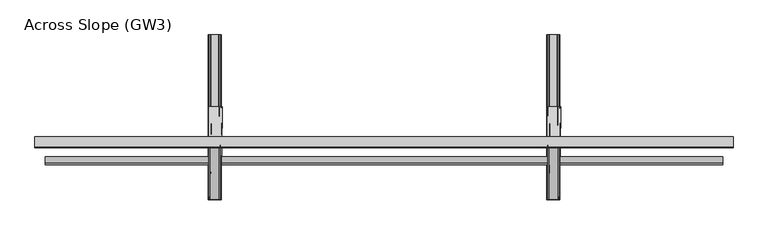
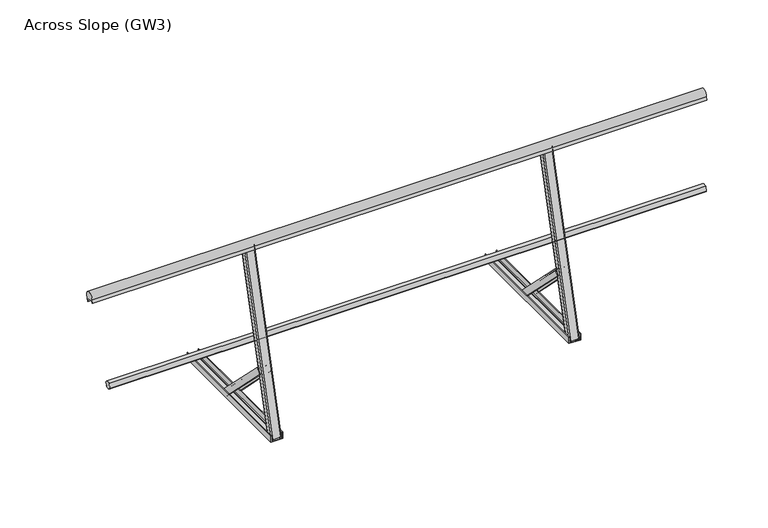
"""IFC4 building model written with IfcOpenShell, lengths in millimetres: railing geometry, Across Slope (GW3)."""

from ifc_helpers import new_model, si_unit, point, frame, frame_2d, origin, place, context, project, spatial, polyline, circle_curve, trimmed, segment, composite_curve, outline, extrude, source, transform, mapped, element, save
from ifc_brep_helpers import plane_surface, extruded_surface, advanced_brep


def across_slope_gw3_d7d60bce(model_context):
    return source(origin(), model_context, "Body", "SolidModel", [
        extrude(outline(composite_curve([segment(trimmed(circle_curve(frame_2d((-611.4612581, 496.1070196)), 20.0), [point((-595.4178973, 484.1650527))], [point((-629.8410066, 488.221283))], False, "CARTESIAN"), True, "CONTINUOUS"), segment(polyline([(-629.8410066, 488.221283), (-623.4357189, 512.1261422)]), True, "CONTINUOUS"), segment(trimmed(circle_curve(frame_2d((-611.4612581, 496.1070196)), 20.0), [point((-623.4357189, 512.1261422))], [point((-591.5963166, 498.427386))], False, "CARTESIAN"), True, "CONTINUOUS"), segment(polyline([(-591.5963166, 498.427386), (-595.4600199, 499.4626622), (-599.2816006, 485.2003288), (-595.4178973, 484.1650527)]), True, "CONTINUOUS")], self_intersect=False)), frame((-795.0, 0.0, 0.0), z_axis=(1.0, 0.0, 0.0), x_axis=(0.0, 1.0, 0.0)), (0.0, 0.0, 1.0), 3290.0),
        extrude(outline(composite_curve([segment(trimmed(circle_curve(frame_2d((-518.9460785, 975.4971518)), 25.0), [point((-542.7413132, 967.8298964))], [point((-502.1724285, 956.9594965))], False, "CARTESIAN"), True, "CONTINUOUS"), segment(polyline([(-502.1724285, 956.9594965), (-506.9438456, 939.1523254), (-507.9097714, 939.4111445), (-504.0274858, 953.9000319), (-542.6645188, 964.2527937), (-546.5468045, 949.7639063), (-547.5127303, 950.0227253), (-542.7413132, 967.8298964)]), True, "CONTINUOUS")], self_intersect=False)), frame((-845.0, 0.0, 0.0), z_axis=(1.0, 0.0, 0.0), x_axis=(0.0, 1.0, 0.0)), (0.0, 0.0, 1.0), 3390.0),
        extrude(outline(composite_curve([segment(trimmed(circle_curve(frame_2d((23.0, 33.0)), 5.0), [point((23.0, 38.0))], [point((28.0, 33.0))], False, "CARTESIAN"), True, "CONTINUOUS"), segment(polyline([(28.0, 33.0), (28.0, 5.0)]), True, "CONTINUOUS"), segment(trimmed(circle_curve(frame_2d((23.0, 5.0)), 5.0), [point((28.0, 5.0))], [point((23.0, 0.0))], False, "CARTESIAN"), True, "CONTINUOUS"), segment(polyline([(23.0, 0.0), (-23.0, 0.0)]), True, "CONTINUOUS"), segment(trimmed(circle_curve(frame_2d((-23.0, 5.0)), 5.0), [point((-23.0, 0.0))], [point((-28.0, 5.0))], False, "CARTESIAN"), True, "CONTINUOUS"), segment(polyline([(-28.0, 5.0), (-28.0, 33.0)]), True, "CONTINUOUS"), segment(trimmed(circle_curve(frame_2d((-23.0, 33.0)), 5.0), [point((-28.0, 33.0))], [point((-23.0, 38.0))], False, "CARTESIAN"), True, "CONTINUOUS"), segment(polyline([(-23.0, 38.0), (23.0, 38.0)]), True, "CONTINUOUS")], self_intersect=False)), frame((1672.0, -762.0, 0.0), z_axis=(0.0, 0.25881904510251225, 0.9659258262890706), x_axis=(-1.0, 0.0, 0.0)), (0.0, 0.0, 1.0), 998.0),
        advanced_brep(
        [(1707.5, -348.3454165, 38.0), (1707.5, -374.154814, 12.1906025), (1704.5, -374.154814, 12.1906025), (1704.5, -350.4667368, 35.8786797), (1694.5, -350.4667368, 35.8786797), (1694.5, -352.2345038, 34.1109127), (1693.5, -352.2345038, 34.1109127), (1693.5, -350.4667368, 35.8786797), (1656.5, -350.4667368, 35.8786797), (1656.5, -352.2345038, 34.1109127), (1655.5, -352.2345038, 34.1109127), (1655.5, -350.4667368, 35.8786797), (1645.5, -350.4667368, 35.8786797), (1645.5, -374.154814, 12.1906025), (1642.5, -374.154814, 12.1906025), (1642.5, -348.3454165, 38.0), (1704.5, -666.543468, 356.1980516), (1639.5, -666.543468, 356.1980516), (1639.5, -692.3528655, 330.3886541), (1642.5, -692.3528655, 330.3886541), (1642.5, -668.6647884, 354.0767312), (1652.5, -668.6647884, 354.0767312), (1652.5, -670.4325553, 352.3089643), (1653.5, -670.4325553, 352.3089643), (1653.5, -668.6647884, 354.0767312), (1690.5, -668.6647884, 354.0767312), (1690.5, -670.4325553, 352.3089643), (1691.5, -670.4325553, 352.3089643), (1691.5, -668.6647884, 354.0767312), (1701.5, -668.6647884, 354.0767312), (1701.5, -692.3528655, 330.3886541), (1704.5, -692.3528655, 330.3886541)],
        [
            (0, 1),
            (1, 2, circle_curve(frame((1706.0, -374.154814, 12.1906025), z_axis=(0.0, 0.7071067811865531, -0.707106781186542), x_axis=(0.0, -0.707106781186542, -0.7071067811865531)), 1.5)),
            (2, 3),
            (3, 4),
            (4, 5),
            (5, 6, circle_curve(frame((1694.0, -352.2345038, 34.1109127), z_axis=(0.0, 0.7071067811865531, -0.707106781186542), x_axis=(0.0, -0.707106781186542, -0.7071067811865531)), 0.5)),
            (6, 7),
            (7, 8),
            (8, 9),
            (9, 10, circle_curve(frame((1656.0, -352.2345038, 34.1109127), z_axis=(0.0, 0.7071067811865531, -0.707106781186542), x_axis=(0.0, -0.707106781186542, -0.7071067811865531)), 0.5)),
            (10, 11),
            (11, 12),
            (12, 13),
            (13, 14, circle_curve(frame((1644.0, -374.154814, 12.1906025), z_axis=(0.0, 0.7071067811865531, -0.707106781186542), x_axis=(0.0, -0.707106781186542, -0.7071067811865531)), 1.5)),
            (14, 15),
            (15, 0),
            (16, 17),
            (17, 18),
            (18, 19, circle_curve(frame((1641.0, -692.3528655, 330.3886541), z_axis=(0.0, -0.7071067811865531, 0.707106781186542), x_axis=(0.0, -0.707106781186542, -0.7071067811865531)), 1.5)),
            (19, 20),
            (20, 21),
            (21, 22),
            (22, 23, circle_curve(frame((1653.0, -670.4325553, 352.3089643), z_axis=(0.0, -0.7071067811865531, 0.707106781186542), x_axis=(0.0, -0.707106781186542, -0.7071067811865531)), 0.5)),
            (23, 24),
            (24, 25),
            (25, 26),
            (26, 27, circle_curve(frame((1691.0, -670.4325553, 352.3089643), z_axis=(0.0, -0.7071067811865531, 0.707106781186542), x_axis=(0.0, -0.707106781186542, -0.7071067811865531)), 0.5)),
            (27, 28),
            (28, 29),
            (29, 30),
            (30, 31, circle_curve(frame((1703.0, -692.3528655, 330.3886541), z_axis=(0.0, -0.7071067811865531, 0.707106781186542), x_axis=(0.0, -0.707106781186542, -0.7071067811865531)), 1.5)),
            (31, 16),
            (31, 1),
            (0, 16),
            (30, 2),
            (29, 3),
            (28, 4),
            (27, 5),
            (26, 6),
            (25, 7),
            (24, 8),
            (23, 9),
            (22, 10),
            (21, 11),
            (20, 12),
            (19, 13),
            (18, 14),
            (17, 15),
        ],
        [
            plane_surface(frame((1675.0, -356.5655328, 29.7798837), z_axis=(0.0, 0.7071067811865529, -0.7071067811865421), x_axis=(0.0, -0.7071067811865421, -0.7071067811865529))),
            plane_surface(frame((1672.0, -674.7635844, 347.9779352), z_axis=(0.0, -0.7071067811865535, 0.7071067811865416), x_axis=(0.0, -0.7071067811865416, -0.7071067811865535))),
            plane_surface(frame((1704.5, -679.4481668, 343.2933528), z_axis=(0.9999777785184911, -0.004713940454837988, 0.004713940454842159), x_axis=(0.0, -0.7071067811865421, -0.7071067811865529))),
            extruded_surface(trimmed(circle_curve(frame((1703.0, -692.3528655, 330.3886541), z_axis=(0.0, 0.7071067811865531, -0.707106781186542), x_axis=(0.0, -0.707106781186542, -0.7071067811865531)), 1.5), [point((1704.5, -692.3528655, 330.3886541))], [point((1701.5, -692.3528655, 330.3886541))], True, "CARTESIAN"), (3.0, 318.1980515, -318.1980516), 450.0099999115941),
            plane_surface(frame((1701.5, -680.508827, 342.2326927), z_axis=(-0.9999777785184911, 0.004713940454837985, -0.004713940454842158), x_axis=(0.0, 0.7071067811865422, 0.7071067811865528))),
            plane_surface(frame((1696.5, -668.6647884, 354.0767312), z_axis=(0.0, -0.7071067811865426, -0.7071067811865526), x_axis=(-1.0, 0.0, 0.0))),
            plane_surface(frame((1691.5, -669.5486719, 353.1928478), z_axis=(0.9999777785184911, -0.0047139404548379605, 0.004713940454842185), x_axis=(0.0, -0.7071067811865461, -0.7071067811865489))),
            extruded_surface(trimmed(circle_curve(frame((1691.0, -670.4325553, 352.3089643), z_axis=(0.0, 0.7071067811865531, -0.707106781186542), x_axis=(0.0, -0.707106781186542, -0.7071067811865531)), 0.5), [point((1691.5, -670.4325553, 352.3089643))], [point((1690.5, -670.4325553, 352.3089643))], True, "CARTESIAN"), (3.0, 318.19805149999996, -318.1980516), 450.00999991159404),
            plane_surface(frame((1690.5, -669.5486719, 353.1928478), z_axis=(-0.9999777785184911, 0.0047139404548379735, -0.004713940454842198), x_axis=(0.0, 0.7071067811865461, 0.7071067811865489))),
            plane_surface(frame((1672.0, -668.6647884, 354.0767312), z_axis=(0.0, -0.7071067811865426, -0.7071067811865526), x_axis=(-1.0, 0.0, 0.0))),
            plane_surface(frame((1653.5, -669.5486719, 353.1928478), z_axis=(0.9999777785184911, -0.0047139404548379666, 0.0047139404548421915), x_axis=(0.0, -0.7071067811865461, -0.7071067811865489))),
            extruded_surface(trimmed(circle_curve(frame((1653.0, -670.4325553, 352.3089643), z_axis=(0.0, 0.7071067811865531, -0.707106781186542), x_axis=(0.0, -0.707106781186542, -0.7071067811865531)), 0.5), [point((1653.5, -670.4325553, 352.3089643))], [point((1652.5, -670.4325553, 352.3089643))], True, "CARTESIAN"), (3.0, 318.19805149999996, -318.1980516), 450.00999991159404),
            plane_surface(frame((1652.5, -669.5486719, 353.1928478), z_axis=(-0.9999777785184911, 0.0047139404548379935, -0.004713940454842162), x_axis=(0.0, 0.7071067811865419, 0.7071067811865531))),
            plane_surface(frame((1647.5, -668.6647884, 354.0767312), z_axis=(0.0, -0.7071067811865422, -0.7071067811865528), x_axis=(-1.0, 0.0, 0.0))),
            plane_surface(frame((1642.5, -680.508827, 342.2326927), z_axis=(0.9999777785184911, -0.004713940454837993, 0.0047139404548421655), x_axis=(0.0, -0.7071067811865422, -0.7071067811865528))),
            extruded_surface(trimmed(circle_curve(frame((1641.0, -692.3528655, 330.3886541), z_axis=(0.0, 0.7071067811865531, -0.707106781186542), x_axis=(0.0, -0.707106781186542, -0.7071067811865531)), 1.5), [point((1642.5, -692.3528655, 330.3886541))], [point((1639.5, -692.3528655, 330.3886541))], True, "CARTESIAN"), (3.0, 318.1980515, -318.1980516), 450.0099999115941),
            plane_surface(frame((1639.5, -679.4481668, 343.2933528), z_axis=(-0.9999777785184913, 0.0047139404548379935, -0.004713940454842163), x_axis=(0.0, 0.707106781186542, 0.7071067811865531))),
            plane_surface(frame((1672.0, -666.543468, 356.1980516), z_axis=(0.0, 0.7071067811865428, 0.7071067811865523), x_axis=(1.0, 0.0, 0.0))),
        ],
        [
            (0, [[1, 2, 3, 4, 5, 6, 7, 8, 9, 10, 11, 12, 13, 14, 15, 16]]),
            (1, [[17, 18, 19, 20, 21, 22, 23, 24, 25, 26, 27, 28, 29, 30, 31, 32]]),
            (2, [[-32, 33, -1, 34]]),
            (3, [[-31, 35, -2, -33]]),
            (4, [[-30, 36, -3, -35]]),
            (5, [[-29, 37, -4, -36]]),
            (6, [[-28, 38, -5, -37]]),
            (7, [[-27, 39, -6, -38]]),
            (8, [[-26, 40, -7, -39]]),
            (9, [[-25, 41, -8, -40]]),
            (10, [[-24, 42, -9, -41]]),
            (11, [[-23, 43, -10, -42]]),
            (12, [[-22, 44, -11, -43]]),
            (13, [[-21, 45, -12, -44]]),
            (14, [[-20, 46, -13, -45]]),
            (15, [[-19, 47, -14, -46]]),
            (16, [[-18, 48, -15, -47]]),
            (17, [[-17, -34, -16, -48]]),
        ],
    ),
        extrude(outline(composite_curve([segment(polyline([(0.0, 1704.5), (36.5, 1704.5)]), True, "CONTINUOUS"), segment(trimmed(circle_curve(frame_2d((36.5, 1703.0)), 1.5), [point((36.5, 1704.5))], [point((36.5, 1701.5))], False, "CARTESIAN"), True, "CONTINUOUS"), segment(polyline([(36.5, 1701.5), (3.0, 1701.5), (3.0, 1691.5), (5.5, 1691.5)]), True, "CONTINUOUS"), segment(trimmed(circle_curve(frame_2d((5.5, 1691.0)), 0.5), [point((5.5, 1691.5))], [point((5.5, 1690.5))], False, "CARTESIAN"), True, "CONTINUOUS"), segment(polyline([(5.5, 1690.5), (3.0, 1690.5), (3.0, 1653.5), (5.5, 1653.5)]), True, "CONTINUOUS"), segment(trimmed(circle_curve(frame_2d((5.5, 1653.0)), 0.5), [point((5.5, 1653.5))], [point((5.5, 1652.5))], False, "CARTESIAN"), True, "CONTINUOUS"), segment(polyline([(5.5, 1652.5), (3.0, 1652.5), (3.0, 1642.5), (36.5, 1642.5)]), True, "CONTINUOUS"), segment(trimmed(circle_curve(frame_2d((36.5, 1641.0)), 1.5), [point((36.5, 1642.5))], [point((36.5, 1639.5))], False, "CARTESIAN"), True, "CONTINUOUS"), segment(polyline([(36.5, 1639.5), (0.0, 1639.5), (0.0, 1704.5)]), True, "CONTINUOUS")], self_intersect=False)), frame((0.0, -800.0, 0.0), z_axis=(0.0, 1.0, 0.0), x_axis=(0.0, 0.0, 1.0)), (0.0, 0.0, 1.0), 800.0),
        extrude(outline(composite_curve([segment(trimmed(circle_curve(frame_2d((23.0, 33.0)), 5.0), [point((23.0, 38.0))], [point((28.0, 33.0))], False, "CARTESIAN"), True, "CONTINUOUS"), segment(polyline([(28.0, 33.0), (28.0, 5.0)]), True, "CONTINUOUS"), segment(trimmed(circle_curve(frame_2d((23.0, 5.0)), 5.0), [point((28.0, 5.0))], [point((23.0, 0.0))], False, "CARTESIAN"), True, "CONTINUOUS"), segment(polyline([(23.0, 0.0), (-23.0, 0.0)]), True, "CONTINUOUS"), segment(trimmed(circle_curve(frame_2d((-23.0, 5.0)), 5.0), [point((-23.0, 0.0))], [point((-28.0, 5.0))], False, "CARTESIAN"), True, "CONTINUOUS"), segment(polyline([(-28.0, 5.0), (-28.0, 33.0)]), True, "CONTINUOUS"), segment(trimmed(circle_curve(frame_2d((-23.0, 33.0)), 5.0), [point((-28.0, 33.0))], [point((-23.0, 38.0))], False, "CARTESIAN"), True, "CONTINUOUS"), segment(polyline([(-23.0, 38.0), (23.0, 38.0)]), True, "CONTINUOUS")], self_intersect=False)), frame((28.0, -762.0, 0.0), z_axis=(0.0, 0.25881904510251225, 0.9659258262890706), x_axis=(-1.0, 0.0, 0.0)), (0.0, 0.0, 1.0), 998.0),
        advanced_brep(
        [(63.5, -348.3454165, 38.0), (63.5, -374.154814, 12.1906025), (60.5, -374.154814, 12.1906025), (60.5, -350.4667368, 35.8786797), (50.5, -350.4667368, 35.8786797), (50.5, -352.2345038, 34.1109127), (49.5, -352.2345038, 34.1109127), (49.5, -350.4667368, 35.8786797), (12.5, -350.4667368, 35.8786797), (12.5, -352.2345038, 34.1109127), (11.5, -352.2345038, 34.1109127), (11.5, -350.4667368, 35.8786797), (1.5, -350.4667368, 35.8786797), (1.5, -374.154814, 12.1906025), (-1.5, -374.154814, 12.1906025), (-1.5, -348.3454165, 38.0), (60.5, -666.543468, 356.1980515), (-4.5, -666.543468, 356.1980515), (-4.5, -692.3528655, 330.388654), (-1.5, -692.3528655, 330.388654), (-1.5, -668.6647884, 354.0767312), (8.5, -668.6647884, 354.0767312), (8.5, -670.4325553, 352.3089642), (9.5, -670.4325553, 352.3089642), (9.5, -668.6647884, 354.0767312), (46.5, -668.6647884, 354.0767312), (46.5, -670.4325553, 352.3089642), (47.5, -670.4325553, 352.3089642), (47.5, -668.6647884, 354.0767312), (57.5, -668.6647884, 354.0767312), (57.5, -692.3528655, 330.388654), (60.5, -692.3528655, 330.388654)],
        [
            (0, 1),
            (1, 2, circle_curve(frame((62.0, -374.154814, 12.1906025), z_axis=(0.0, 0.7071067811865531, -0.707106781186542), x_axis=(0.0, -0.707106781186542, -0.7071067811865531)), 1.5)),
            (2, 3),
            (3, 4),
            (4, 5),
            (5, 6, circle_curve(frame((50.0, -352.2345038, 34.1109127), z_axis=(0.0, 0.7071067811865531, -0.707106781186542), x_axis=(0.0, -0.707106781186542, -0.7071067811865531)), 0.5)),
            (6, 7),
            (7, 8),
            (8, 9),
            (9, 10, circle_curve(frame((12.0, -352.2345038, 34.1109127), z_axis=(0.0, 0.7071067811865531, -0.707106781186542), x_axis=(0.0, -0.707106781186542, -0.7071067811865531)), 0.5)),
            (10, 11),
            (11, 12),
            (12, 13),
            (13, 14, circle_curve(frame((0.0, -374.154814, 12.1906025), z_axis=(0.0, 0.7071067811865531, -0.707106781186542), x_axis=(0.0, -0.707106781186542, -0.7071067811865531)), 1.5)),
            (14, 15),
            (15, 0),
            (16, 17),
            (17, 18),
            (18, 19, circle_curve(frame((-3.0, -692.3528655, 330.388654), z_axis=(0.0, -0.7071067811865531, 0.707106781186542), x_axis=(0.0, -0.707106781186542, -0.7071067811865531)), 1.5)),
            (19, 20),
            (20, 21),
            (21, 22),
            (22, 23, circle_curve(frame((9.0, -670.4325553, 352.3089642), z_axis=(0.0, -0.7071067811865531, 0.707106781186542), x_axis=(0.0, -0.707106781186542, -0.7071067811865531)), 0.5)),
            (23, 24),
            (24, 25),
            (25, 26),
            (26, 27, circle_curve(frame((47.0, -670.4325553, 352.3089642), z_axis=(0.0, -0.7071067811865531, 0.707106781186542), x_axis=(0.0, -0.707106781186542, -0.7071067811865531)), 0.5)),
            (27, 28),
            (28, 29),
            (29, 30),
            (30, 31, circle_curve(frame((59.0, -692.3528655, 330.388654), z_axis=(0.0, -0.7071067811865531, 0.707106781186542), x_axis=(0.0, -0.707106781186542, -0.7071067811865531)), 1.5)),
            (31, 16),
            (31, 1),
            (0, 16),
            (30, 2),
            (29, 3),
            (28, 4),
            (27, 5),
            (26, 6),
            (25, 7),
            (24, 8),
            (23, 9),
            (22, 10),
            (21, 11),
            (20, 12),
            (19, 13),
            (18, 14),
            (17, 15),
        ],
        [
            plane_surface(frame((31.0, -356.5655328, 29.7798837), z_axis=(0.0, 0.7071067811865529, -0.7071067811865421), x_axis=(0.0, -0.7071067811865421, -0.7071067811865529))),
            plane_surface(frame((28.0, -674.7635844, 347.9779352), z_axis=(0.0, -0.7071067811865535, 0.7071067811865416), x_axis=(0.0, -0.7071067811865416, -0.7071067811865535))),
            plane_surface(frame((60.5, -679.4481668, 343.2933528), z_axis=(0.9999777785184911, -0.004713940454845327, 0.00471394045484216), x_axis=(0.0, -0.7071067811865421, -0.7071067811865529))),
            extruded_surface(trimmed(circle_curve(frame((59.0, -692.3528655, 330.388654), z_axis=(0.0, 0.7071067811865531, -0.707106781186542), x_axis=(0.0, -0.707106781186542, -0.7071067811865531)), 1.5), [point((60.5, -692.3528655, 330.388654))], [point((57.5, -692.3528655, 330.388654))], True, "CARTESIAN"), (3.0, 318.1980515, -318.19805149999996), 450.009999840885),
            plane_surface(frame((57.5, -680.508827, 342.2326926), z_axis=(-0.9999777785184911, 0.0047139404548453235, -0.0047139404548421585), x_axis=(0.0, 0.7071067811865422, 0.7071067811865528))),
            plane_surface(frame((52.5, -668.6647884, 354.0767312), z_axis=(0.0, -0.7071067811865426, -0.7071067811865526), x_axis=(-1.0, 0.0, 0.0))),
            plane_surface(frame((47.5, -669.5486719, 353.1928477), z_axis=(0.9999777785184911, -0.004713940454845298, 0.004713940454842185), x_axis=(0.0, -0.7071067811865461, -0.7071067811865489))),
            extruded_surface(trimmed(circle_curve(frame((47.0, -670.4325553, 352.3089642), z_axis=(0.0, 0.7071067811865531, -0.707106781186542), x_axis=(0.0, -0.707106781186542, -0.7071067811865531)), 0.5), [point((47.5, -670.4325553, 352.3089642))], [point((46.5, -670.4325553, 352.3089642))], True, "CARTESIAN"), (3.0, 318.19805149999996, -318.1980515), 450.009999840885),
            plane_surface(frame((46.5, -669.5486719, 353.1928477), z_axis=(-0.9999777785184911, 0.004713940454845312, -0.004713940454842199), x_axis=(0.0, 0.7071067811865461, 0.7071067811865489))),
            plane_surface(frame((28.0, -668.6647884, 354.0767312), z_axis=(0.0, -0.7071067811865426, -0.7071067811865526), x_axis=(-1.0, 0.0, 0.0))),
            plane_surface(frame((9.5, -669.5486719, 353.1928477), z_axis=(0.9999777785184911, -0.004713940454845305, 0.0047139404548421915), x_axis=(0.0, -0.7071067811865461, -0.7071067811865489))),
            extruded_surface(trimmed(circle_curve(frame((9.0, -670.4325553, 352.3089642), z_axis=(0.0, 0.7071067811865531, -0.707106781186542), x_axis=(0.0, -0.707106781186542, -0.7071067811865531)), 0.5), [point((9.5, -670.4325553, 352.3089642))], [point((8.5, -670.4325553, 352.3089642))], True, "CARTESIAN"), (3.0, 318.19805149999996, -318.1980515), 450.009999840885),
            plane_surface(frame((8.5, -669.5486719, 353.1928477), z_axis=(-0.9999777785184911, 0.004713940454845332, -0.004713940454842162), x_axis=(0.0, 0.7071067811865419, 0.7071067811865531))),
            plane_surface(frame((3.5, -668.6647884, 354.0767312), z_axis=(0.0, -0.7071067811865422, -0.7071067811865528), x_axis=(-1.0, 0.0, 0.0))),
            plane_surface(frame((-1.5, -680.508827, 342.2326926), z_axis=(0.9999777785184911, -0.0047139404548453305, 0.0047139404548421655), x_axis=(0.0, -0.7071067811865422, -0.7071067811865528))),
            extruded_surface(trimmed(circle_curve(frame((-3.0, -692.3528655, 330.388654), z_axis=(0.0, 0.7071067811865531, -0.707106781186542), x_axis=(0.0, -0.707106781186542, -0.7071067811865531)), 1.5), [point((-1.5, -692.3528655, 330.388654))], [point((-4.5, -692.3528655, 330.388654))], True, "CARTESIAN"), (3.0, 318.1980515, -318.19805149999996), 450.009999840885),
            plane_surface(frame((-4.5, -679.4481668, 343.2933528), z_axis=(-0.9999777785184913, 0.004713940454845332, -0.004713940454842163), x_axis=(0.0, 0.707106781186542, 0.7071067811865531))),
            plane_surface(frame((28.0, -666.543468, 356.1980515), z_axis=(0.0, 0.7071067811865428, 0.7071067811865523), x_axis=(1.0, 0.0, 0.0))),
        ],
        [
            (0, [[1, 2, 3, 4, 5, 6, 7, 8, 9, 10, 11, 12, 13, 14, 15, 16]]),
            (1, [[17, 18, 19, 20, 21, 22, 23, 24, 25, 26, 27, 28, 29, 30, 31, 32]]),
            (2, [[-32, 33, -1, 34]]),
            (3, [[-31, 35, -2, -33]]),
            (4, [[-30, 36, -3, -35]]),
            (5, [[-29, 37, -4, -36]]),
            (6, [[-28, 38, -5, -37]]),
            (7, [[-27, 39, -6, -38]]),
            (8, [[-26, 40, -7, -39]]),
            (9, [[-25, 41, -8, -40]]),
            (10, [[-24, 42, -9, -41]]),
            (11, [[-23, 43, -10, -42]]),
            (12, [[-22, 44, -11, -43]]),
            (13, [[-21, 45, -12, -44]]),
            (14, [[-20, 46, -13, -45]]),
            (15, [[-19, 47, -14, -46]]),
            (16, [[-18, 48, -15, -47]]),
            (17, [[-17, -34, -16, -48]]),
        ],
    ),
        extrude(outline(composite_curve([segment(polyline([(0.0, 60.5), (36.5, 60.5)]), True, "CONTINUOUS"), segment(trimmed(circle_curve(frame_2d((36.5, 59.0)), 1.5), [point((36.5, 60.5))], [point((36.5, 57.5))], False, "CARTESIAN"), True, "CONTINUOUS"), segment(polyline([(36.5, 57.5), (3.0, 57.5), (3.0, 47.5), (5.5, 47.5)]), True, "CONTINUOUS"), segment(trimmed(circle_curve(frame_2d((5.5, 47.0)), 0.5), [point((5.5, 47.5))], [point((5.5, 46.5))], False, "CARTESIAN"), True, "CONTINUOUS"), segment(polyline([(5.5, 46.5), (3.0, 46.5), (3.0, 9.5), (5.5, 9.5)]), True, "CONTINUOUS"), segment(trimmed(circle_curve(frame_2d((5.5, 9.0)), 0.5), [point((5.5, 9.5))], [point((5.5, 8.5))], False, "CARTESIAN"), True, "CONTINUOUS"), segment(polyline([(5.5, 8.5), (3.0, 8.5), (3.0, -1.5), (36.5, -1.5)]), True, "CONTINUOUS"), segment(trimmed(circle_curve(frame_2d((36.5, -3.0)), 1.5), [point((36.5, -1.5))], [point((36.5, -4.5))], False, "CARTESIAN"), True, "CONTINUOUS"), segment(polyline([(36.5, -4.5), (0.0, -4.5), (0.0, 60.5)]), True, "CONTINUOUS")], self_intersect=False)), frame((0.0, -800.0, 0.0), z_axis=(0.0, 1.0, 0.0), x_axis=(0.0, 0.0, 1.0)), (0.0, 0.0, 1.0), 800.0),
    ])


if __name__ == "__main__":
    model = new_model("IFC4")
    model_context = context("Model", 3, world=origin())
    ifc_project = project(units=[si_unit("LENGTHUNIT", "METRE", prefix="MILLI")], contexts=[model_context])
    site = spatial("IfcSite", under=ifc_project)
    building = spatial("IfcBuilding", under=site)
    placement = place(None, origin())
    across_slope_gw3_shape = across_slope_gw3_d7d60bce(model_context)
    element("IfcRailing", 1, ObjectType="Across Slope (GW3)", at=placement, inside=building, context=model_context, shape_type="MappedRepresentation", body=[
        mapped(across_slope_gw3_shape, transform((0.0, 0.0, 0.0), x_axis=(1.0, 0.0, 0.0), y_axis=(0.0, 1.0, 0.0), z_axis=(0.0, 0.0, 1.0))),
    ])
    save(model, "model.ifc")
